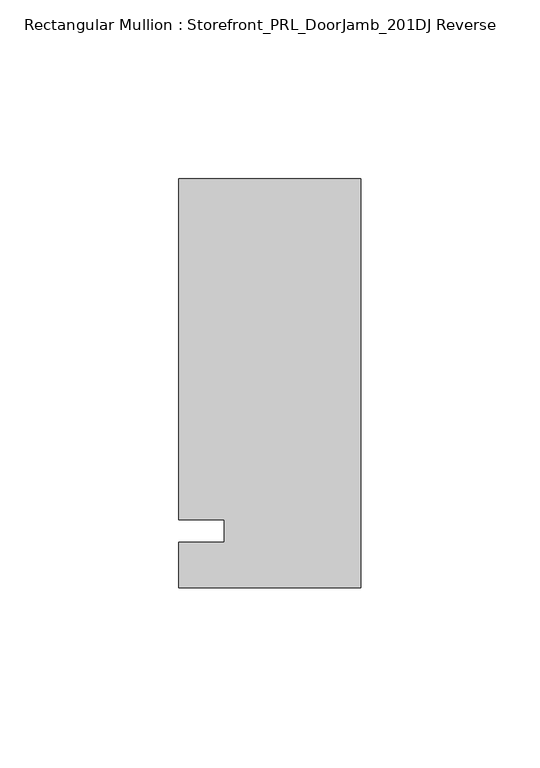
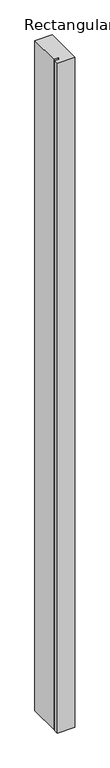
"""IFC4 building model written with IfcOpenShell, lengths in millimetres: member geometry, Rectangular Mullion : Storefront_PRL_DoorJamb_201DJ Reverse."""

import ifcopenshell
import ifcopenshell.guid

model = None  # the IFC model being written
_history = None  # IfcOwnerHistory: only IFC2X3 demands one
_inside = {}  # id of a spatial element -> (the spatial element, [elements in it])
_under = {}  # id of a project, library or spatial element -> (it, [spatial elements below it])
_declared = {}  # id of a project -> (the project, [libraries it declares])
_typed = {}  # id of a type object -> (the type object, [elements of that type])
_made_of = {}  # id of a material, layer set ... -> (it, [elements and type objects made of it])


def new_model(schema):
    """Start an empty IFC model of exactly this schema.

    Asked for "IFC4X3", IfcOpenShell would pick the latest addendum, in which some entities
    have other attributes; the version numbers below select the first issue.
    IFC2X3 requires an IfcOwnerHistory on every rooted entity: one is made here for all.
    """
    global model, _history
    if schema == "IFC4X3":
        model = ifcopenshell.file(schema_version=(4, 3, 0, 0))
    else:
        model = ifcopenshell.file(schema=schema)
    _inside.clear()
    _under.clear()
    _declared.clear()
    _typed.clear()
    _made_of.clear()
    _history = None
    if model.schema == "IFC2X3":
        org = make("IfcOrganization", Name="unknown")
        user = make(
            "IfcPersonAndOrganization",
            ThePerson=make("IfcPerson", FamilyName="unknown"),
            TheOrganization=org,
        )
        app = make(
            "IfcApplication",
            ApplicationDeveloper=org,
            Version="unknown",
            ApplicationFullName="unknown",
            ApplicationIdentifier="unknown",
        )
        _history = make(
            "IfcOwnerHistory",
            OwningUser=user,
            OwningApplication=app,
            ChangeAction="ADDED",
            CreationDate=0,
        )
    return model


def make(cls, **values):
    """One entity of the class cls with the attributes given. An attribute that is None is left unset."""
    return model.create_entity(
        cls, **{name: value for name, value in values.items() if value is not None}
    )


def rooted(cls, **values):
    """An entity with a GlobalId (a new one), such as an element, a storey or a relation."""
    return make(cls, GlobalId=ifcopenshell.guid.new(), OwnerHistory=_history, **values)


def si_unit(unit_type, name, prefix=None):
    """IfcSIUnit, for example si_unit("LENGTHUNIT", "METRE", prefix="MILLI")."""
    return make("IfcSIUnit", UnitType=unit_type, Prefix=prefix, Name=name)


def assignment(units):
    """IfcUnitAssignment: the units of a project."""
    return None if units is None else make("IfcUnitAssignment", Units=units)


def point(xyz):
    """IfcCartesianPoint."""
    return None if xyz is None else make("IfcCartesianPoint", Coordinates=xyz)


def direction(xyz):
    """IfcDirection."""
    return None if xyz is None else make("IfcDirection", DirectionRatios=xyz)


def frame(location, z_axis=None, x_axis=None):
    """IfcAxis2Placement3D, a coordinate frame: its origin and axes. An axis left out is left unset."""
    return make(
        "IfcAxis2Placement3D",
        Location=point(location),
        Axis=direction(z_axis),
        RefDirection=direction(x_axis),
    )


def origin():
    """The frame at (0, 0, 0) with its axes left unset."""
    return frame((0.0, 0.0, 0.0))


def place(relative_to, where):
    """IfcLocalPlacement: puts the frame where relative to a parent placement (None: the world)."""
    return make(
        "IfcLocalPlacement", PlacementRelTo=relative_to, RelativePlacement=where
    )


def context(
    kind, dimensions, precision=None, world=None, true_north=None, identifier=None
):
    """IfcGeometricRepresentationContext, for example the 3D "Model" context."""
    return make(
        "IfcGeometricRepresentationContext",
        ContextIdentifier=identifier,
        ContextType=kind,
        CoordinateSpaceDimension=dimensions,
        Precision=precision,
        WorldCoordinateSystem=world,
        TrueNorth=true_north,
    )


def project(units=None, contexts=None):
    """IfcProject with its units and contexts."""
    return rooted(
        "IfcProject",
        Name="project",
        RepresentationContexts=contexts,
        UnitsInContext=assignment(units),
    )


def spatial(cls, under=None, at=None, **own):
    """A site, building, storey or space (cls), placed at a placement, below another one or the project."""
    s = rooted(cls, ObjectPlacement=at, **own)
    if under is not None:
        _under.setdefault(under.id(), (under, []))[1].append(s)
    return s


def polyline(points):
    """IfcPolyline through the points."""
    return make("IfcPolyline", Points=[point(p) for p in points])


def outline(outer, holes=None, kind="AREA"):
    """IfcArbitraryClosedProfileDef: a profile drawn as a closed curve; with holes, ...WithVoids."""
    if holes is None:
        return make("IfcArbitraryClosedProfileDef", ProfileType=kind, OuterCurve=outer)
    return make(
        "IfcArbitraryProfileDefWithVoids",
        ProfileType=kind,
        OuterCurve=outer,
        InnerCurves=holes,
    )


def extrude(swept, where, along, depth):
    """IfcExtrudedAreaSolid: the profile swept, set in the frame where, extruded along a direction by depth."""
    return make(
        "IfcExtrudedAreaSolid",
        SweptArea=swept,
        Position=where,
        ExtrudedDirection=direction(along),
        Depth=depth,
    )


def shape(context_of_items, identifier, shape_type, items):
    """IfcShapeRepresentation: the items that make up one representation, for example the "Body"."""
    return make(
        "IfcShapeRepresentation",
        ContextOfItems=context_of_items,
        RepresentationIdentifier=identifier,
        RepresentationType=shape_type,
        Items=items,
    )


def source(mapping_origin, context_of_items, identifier, shape_type, items):
    """IfcRepresentationMap: a shape defined once, which mapped items show again and again."""
    return make(
        "IfcRepresentationMap",
        MappingOrigin=mapping_origin,
        MappedRepresentation=shape(context_of_items, identifier, shape_type, items),
    )


def transform(
    local_origin,
    x_axis=None,
    y_axis=None,
    z_axis=None,
    scale=None,
    scale2=None,
    scale3=None,
    uniform=True,
):
    """IfcCartesianTransformationOperator3D, or its non-uniform kind. x_axis, y_axis, z_axis: its Axis1, 2, 3."""
    if uniform:
        return make(
            "IfcCartesianTransformationOperator3D",
            Axis1=direction(x_axis),
            Axis2=direction(y_axis),
            LocalOrigin=point(local_origin),
            Scale=scale,
            Axis3=direction(z_axis),
        )
    return make(
        "IfcCartesianTransformationOperator3DnonUniform",
        Axis1=direction(x_axis),
        Axis2=direction(y_axis),
        LocalOrigin=point(local_origin),
        Scale=scale,
        Axis3=direction(z_axis),
        Scale2=scale2,
        Scale3=scale3,
    )


def mapped(mapping_source, mapping_target):
    """IfcMappedItem: shows the shape of a source again, moved by a transform."""
    return make(
        "IfcMappedItem", MappingSource=mapping_source, MappingTarget=mapping_target
    )


def made_of(thing, what):
    """Note that an element or type object is made of a material, layer set ...; save() writes the relation."""
    if what is not None:
        _made_of.setdefault(what.id(), (what, []))[1].append(thing)
    return thing


def element(
    cls,
    number,
    at=None,
    inside=None,
    cuts=None,
    type_object=None,
    material=None,
    context=None,
    identifier="Body",
    shape_type=None,
    held_by="IfcProductDefinitionShape",
    body=None,
    shapes=None,
    **own,
):
    """One element of the class cls, such as IfcWall. Its Tag is "e" and its number.

    at: its placement. inside: the storey or other place that contains it. cuts: it is an
    opening in that element (IfcRelVoidsElement). A single representation is given by context,
    identifier, shape_type and body (its items); several are given by shapes. held_by: the class
    of the entity that holds the representations. save() writes the other relations.
    """
    e = rooted(cls, Tag="e%d" % number, ObjectPlacement=at, **own)
    if body is not None:
        shapes = [shape(context, identifier, shape_type, body)]
    if shapes is not None:
        e.Representation = make(held_by, Representations=shapes)
    if inside is not None:
        _inside.setdefault(inside.id(), (inside, []))[1].append(e)
    if cuts is not None:
        rooted(
            "IfcRelVoidsElement", RelatingBuildingElement=cuts, RelatedOpeningElement=e
        )
    if type_object is not None:
        _typed.setdefault(type_object.id(), (type_object, []))[1].append(e)
    return made_of(e, material)


def aggregate(whole, parts):
    """IfcRelAggregates: a whole, such as a stair, and the parts it consists of."""
    return rooted("IfcRelAggregates", RelatingObject=whole, RelatedObjects=parts)


def save(model, path):
    """Write the relations noted so far, then the file.

    IfcRelAggregates (storeys below a building ...), IfcRelContainedInSpatialStructure (elements
    in a storey), IfcRelDefinesByType, IfcRelAssociatesMaterial and IfcRelDeclares: one each for
    every whole, place, type object, material and project.
    """
    for whole, parts in _under.values():
        aggregate(whole, parts)
    for where, things in _inside.values():
        rooted(
            "IfcRelContainedInSpatialStructure",
            RelatedElements=things,
            RelatingStructure=where,
        )
    for kind, things in _typed.values():
        rooted("IfcRelDefinesByType", RelatedObjects=things, RelatingType=kind)
    for what, things in _made_of.values():
        rooted("IfcRelAssociatesMaterial", RelatedObjects=things, RelatingMaterial=what)
    for by, libraries in _declared.values():
        rooted("IfcRelDeclares", RelatingContext=by, RelatedDefinitions=libraries)
    model.write(path)


def rectangular_mullion_storefront_prl_doorjamb_201dj_reverse_0635f4d0(model_context):
    return source(origin(), model_context, "Body", "SweptSolid", [
        extrude(outline(polyline([(-12.7, 3.175), (-25.4, 3.175), (-25.4, 98.425), (25.4, 98.425), (25.4, -15.875), (-25.4, -15.875), (-25.4, -3.175), (-12.7, -3.175), (-12.7, 3.175)])), frame((0.0, 0.0, -2076.45), z_axis=(0.0, 0.0, 1.0), x_axis=(1.0, 0.0, 0.0)), (0.0, 0.0, 1.0), 2076.45),
    ])


if __name__ == "__main__":
    model = new_model("IFC4")
    model_context = context("Model", 3, world=origin())
    ifc_project = project(units=[si_unit("LENGTHUNIT", "METRE", prefix="MILLI")], contexts=[model_context])
    site = spatial("IfcSite", under=ifc_project)
    building = spatial("IfcBuilding", under=site)
    placement = place(None, origin())
    rectangular_mullion_storefront_prl_doorjamb_201dj_reverse_shape = rectangular_mullion_storefront_prl_doorjamb_201dj_reverse_0635f4d0(model_context)
    element("IfcMember", 1, ObjectType="Rectangular Mullion : Storefront_PRL_DoorJamb_201DJ Reverse", at=placement, inside=building, context=model_context, shape_type="MappedRepresentation", body=[
        mapped(rectangular_mullion_storefront_prl_doorjamb_201dj_reverse_shape, transform((0.0, 0.0, 0.0), x_axis=(1.0, 0.0, 0.0), y_axis=(0.0, 1.0, 0.0), z_axis=(0.0, 0.0, 1.0))),
    ])
    save(model, "model.ifc")
